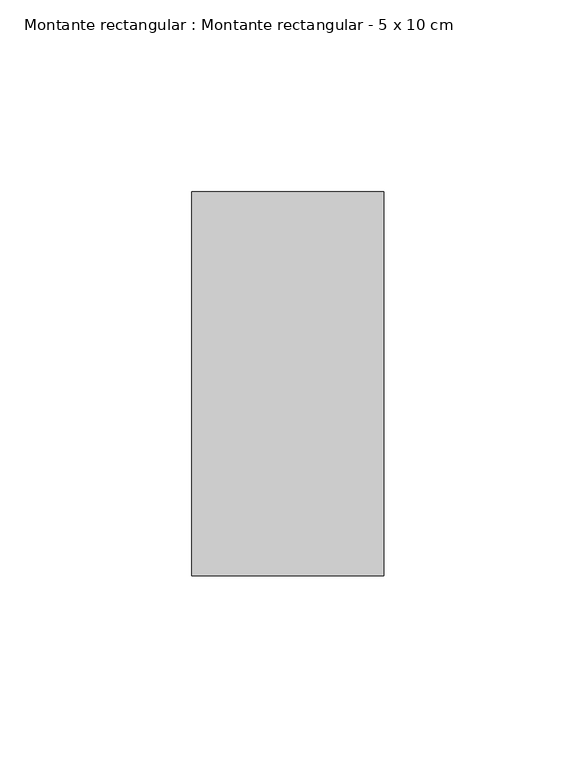
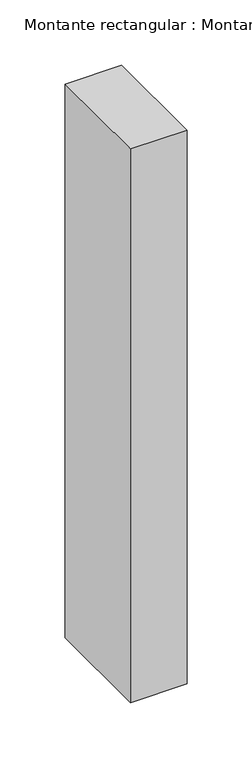
"""IFC4 building model written with IfcOpenShell, lengths in millimetres: member geometry, Montante rectangular : Montante rectangular - 5 x 10 cm."""

from ifc_helpers import new_model, si_unit, frame, origin, place, context, project, spatial, polyline, outline, extrude, source, transform, mapped, element, save


def montante_rectangular_montante_rectangular_5_x_10_cm_e699e110(model_context):
    return source(origin(), model_context, "Body", "SweptSolid", [
        extrude(outline(polyline([(0.0, 50.0), (0.0, -50.0), (-50.0, -50.0), (-50.0, 50.0), (0.0, 50.0)])), frame((0.0, 0.0, -517.6666667), z_axis=(0.0, 0.0, 1.0), x_axis=(1.0, 0.0, 0.0)), (0.0, 0.0, 1.0), 517.6666667),
    ])


if __name__ == "__main__":
    model = new_model("IFC4")
    model_context = context("Model", 3, world=origin())
    ifc_project = project(units=[si_unit("LENGTHUNIT", "METRE", prefix="MILLI")], contexts=[model_context])
    site = spatial("IfcSite", under=ifc_project)
    building = spatial("IfcBuilding", under=site)
    placement = place(None, origin())
    montante_rectangular_montante_rectangular_5_x_10_cm_shape = montante_rectangular_montante_rectangular_5_x_10_cm_e699e110(model_context)
    element("IfcMember", 1, ObjectType="Montante rectangular : Montante rectangular - 5 x 10 cm", at=placement, inside=building, context=model_context, shape_type="MappedRepresentation", body=[
        mapped(montante_rectangular_montante_rectangular_5_x_10_cm_shape, transform((0.0, 0.0, 0.0), x_axis=(1.0, 0.0, 0.0), y_axis=(0.0, 1.0, 0.0), z_axis=(0.0, 0.0, 1.0))),
    ])
    save(model, "model.ifc")
